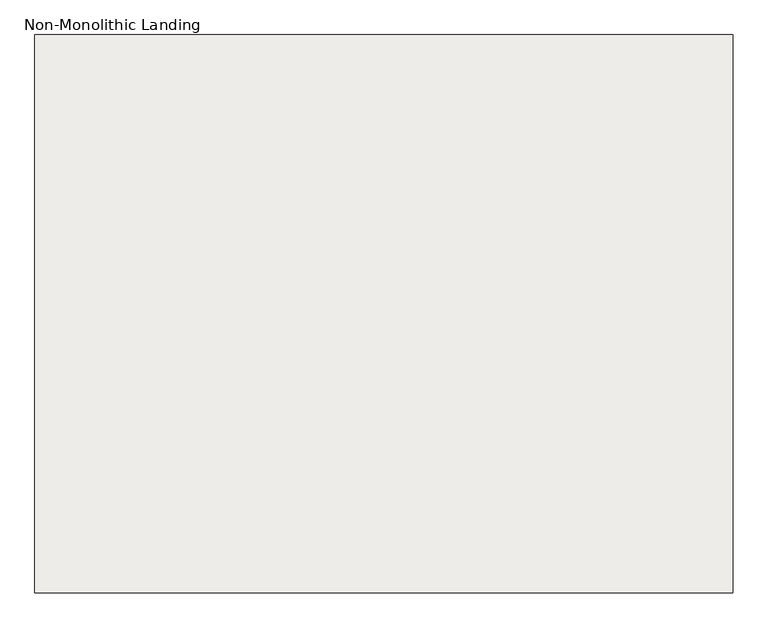
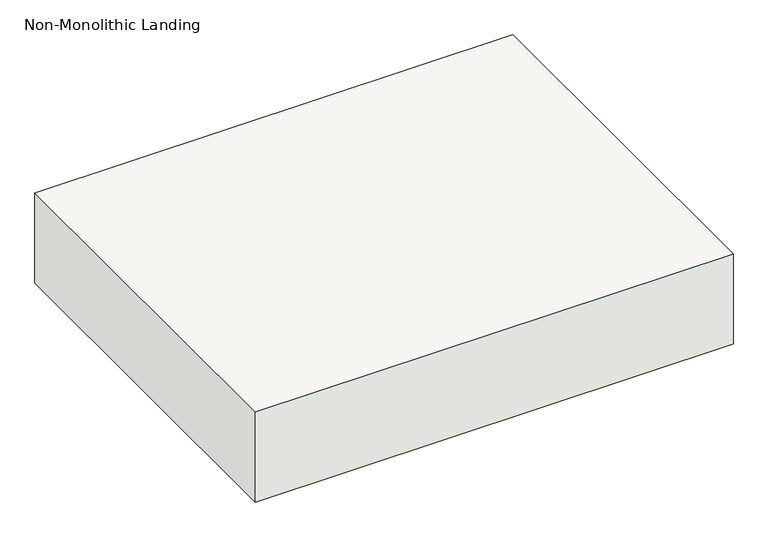
"""IFC4 building model written with IfcOpenShell, lengths in millimetres: slab geometry, Non-Monolithic Landing."""

from ifc_helpers import new_model, si_unit, frame, origin, place, context, project, spatial, polyline, outline, extrude, source, transform, mapped, element, save


def non_monolithic_landing_fdb78041(model_context):
    return source(origin(), model_context, "Body", "SweptSolid", [
        extrude(outline(polyline([(6455.1809005, -871.8408405), (6455.1809005, -1671.8408405), (5455.1809005, -1671.8408405), (5455.1809005, -871.8408405), (6455.1809005, -871.8408405)])), frame((0.0, 0.0, 1928.0), z_axis=(0.0, 0.0, 1.0), x_axis=(1.0, 0.0, 0.0)), (0.0, 0.0, 1.0), 200.0),
    ])


if __name__ == "__main__":
    model = new_model("IFC4")
    model_context = context("Model", 3, world=origin())
    ifc_project = project(units=[si_unit("LENGTHUNIT", "METRE", prefix="MILLI")], contexts=[model_context])
    site = spatial("IfcSite", under=ifc_project)
    building = spatial("IfcBuilding", under=site)
    placement = place(None, origin())
    non_monolithic_landing_shape = non_monolithic_landing_fdb78041(model_context)
    element("IfcSlab", 1, ObjectType="Non-Monolithic Landing", at=placement, inside=building, context=model_context, shape_type="MappedRepresentation", body=[
        mapped(non_monolithic_landing_shape, transform((0.0, 0.0, 0.0), x_axis=(1.0, 0.0, 0.0), y_axis=(0.0, 1.0, 0.0), z_axis=(0.0, 0.0, 1.0))),
    ])
    save(model, "model.ifc")
